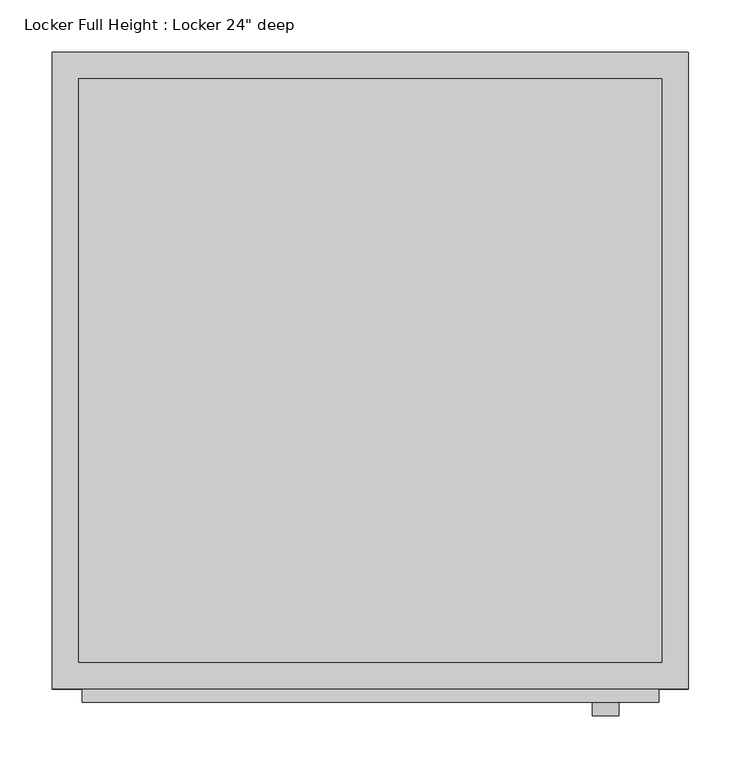
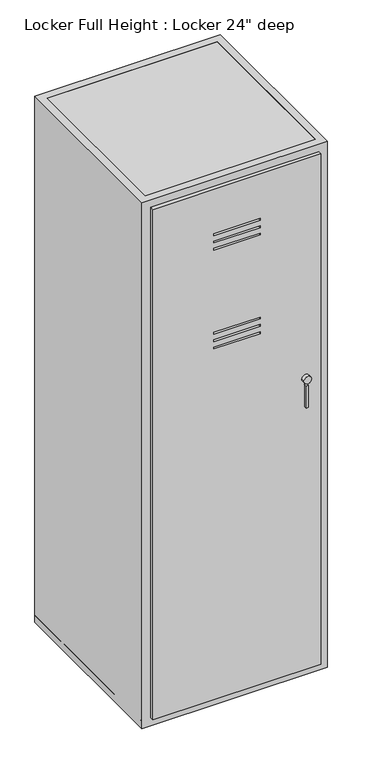
"""IFC4 building model written with IfcOpenShell, lengths in millimetres: proxy geometry."""

from ifc_helpers import new_model, si_unit, point, frame, frame_2d, origin, origin_with_axes, place, context, project, spatial, polyline, circle_curve, trimmed, segment, composite_curve, outline, extrude, faceted_brep, source, transform, mapped, element, save


def proxy_423bad0d(model_context):
    return source(origin(), model_context, "Body", "SolidModel", [
        extrude(outline(polyline([(1802.3478186, 581.025), (1802.3478186, 28.575), (28.575, 28.575), (28.575, 581.025), (1802.3478186, 581.025)]), holes=[polyline([(1647.825, 381.0), (1641.475, 381.0), (1641.475, 228.6), (1647.825, 228.6), (1647.825, 381.0)]), polyline([(1622.425, 381.0), (1616.075, 381.0), (1616.075, 228.6), (1622.425, 228.6), (1622.425, 381.0)]), polyline([(1597.025, 381.0), (1590.675, 381.0), (1590.675, 228.6), (1597.025, 228.6), (1597.025, 381.0)]), polyline([(1254.125, 228.6), (1254.125, 381.0), (1247.775, 381.0), (1247.775, 228.6), (1254.125, 228.6)]), polyline([(1279.525, 228.6), (1279.525, 381.0), (1273.175, 381.0), (1273.175, 228.6), (1279.525, 228.6)]), polyline([(1304.925, 228.6), (1304.925, 381.0), (1298.575, 381.0), (1298.575, 228.6), (1304.925, 228.6)])]), frame((0.0, -12.7, 0.0), z_axis=(0.0, 1.0, 0.0), x_axis=(0.0, 0.0, 1.0)), (0.0, 0.0, 1.0), 12.7),
        faceted_brep([(609.6, 0.0, 1828.6017036), (609.6, 609.6, 1828.6017036), (0.0, 609.6, 1828.6017036), (0.0, 0.0, 1828.6017036), (25.4, 25.4, 1828.6017036), (25.4, 584.2, 1828.6017036), (584.2, 584.2, 1828.6017036), (584.2, 25.4, 1828.6017036), (609.6, 0.0, 0.0), (0.0, 0.0, 0.0), (0.0, 609.6, 0.0), (609.6, 609.6, 0.0), (25.4, 25.4, 0.0), (584.2, 25.4, 0.0), (584.2, 584.2, 0.0), (25.4, 584.2, 0.0), (381.0, 0.0, 1647.825), (381.0, 0.0, 1641.475), (228.6, 0.0, 1641.475), (228.6, 0.0, 1647.825), (381.0, 0.0, 1622.425), (381.0, 0.0, 1616.075), (228.6, 0.0, 1616.075), (228.6, 0.0, 1622.425), (381.0, 0.0, 1597.025), (381.0, 0.0, 1590.675), (228.6, 0.0, 1590.675), (228.6, 0.0, 1597.025), (228.6, 0.0, 1254.125), (381.0, 0.0, 1254.125), (381.0, 0.0, 1247.775), (228.6, 0.0, 1247.775), (228.6, 0.0, 1279.525), (381.0, 0.0, 1279.525), (381.0, 0.0, 1273.175), (228.6, 0.0, 1273.175), (228.6, 0.0, 1304.925), (381.0, 0.0, 1304.925), (381.0, 0.0, 1298.575), (228.6, 0.0, 1298.575), (381.0, 25.4, 1641.475), (381.0, 25.4, 1647.825), (228.6, 25.4, 1647.825), (228.6, 25.4, 1641.475), (381.0, 25.4, 1616.075), (381.0, 25.4, 1622.425), (228.6, 25.4, 1622.425), (228.6, 25.4, 1616.075), (381.0, 25.4, 1590.675), (381.0, 25.4, 1597.025), (228.6, 25.4, 1597.025), (228.6, 25.4, 1590.675), (381.0, 25.4, 1254.125), (228.6, 25.4, 1254.125), (228.6, 25.4, 1247.775), (381.0, 25.4, 1247.775), (381.0, 25.4, 1279.525), (228.6, 25.4, 1279.525), (228.6, 25.4, 1273.175), (381.0, 25.4, 1273.175), (381.0, 25.4, 1304.925), (228.6, 25.4, 1304.925), (228.6, 25.4, 1298.575), (381.0, 25.4, 1298.575)], [[[0, 1, 2, 3], [4, 5, 6, 7]], [[8, 9, 10, 11], [12, 13, 14, 15]], [[1, 0, 8, 11]], [[2, 1, 11, 10]], [[3, 2, 10, 9]], [[0, 3, 9, 8], [16, 17, 18, 19], [20, 21, 22, 23], [24, 25, 26, 27], [28, 29, 30, 31], [32, 33, 34, 35], [36, 37, 38, 39]], [[5, 4, 12, 15]], [[6, 5, 15, 14]], [[7, 6, 14, 13]], [[4, 7, 13, 12], [40, 41, 42, 43], [44, 45, 46, 47], [48, 49, 50, 51], [52, 53, 54, 55], [56, 57, 58, 59], [60, 61, 62, 63]], [[40, 17, 16, 41]], [[41, 16, 19, 42]], [[42, 19, 18, 43]], [[17, 40, 43, 18]], [[44, 21, 20, 45]], [[45, 20, 23, 46]], [[46, 23, 22, 47]], [[21, 44, 47, 22]], [[48, 25, 24, 49]], [[49, 24, 27, 50]], [[50, 27, 26, 51]], [[25, 48, 51, 26]], [[52, 29, 28, 53]], [[53, 28, 31, 54]], [[54, 31, 30, 55]], [[29, 52, 55, 30]], [[56, 33, 32, 57]], [[57, 32, 35, 58]], [[58, 35, 34, 59]], [[33, 56, 59, 34]], [[60, 37, 36, 61]], [[61, 36, 39, 62]], [[62, 39, 38, 63]], [[37, 60, 63, 38]]]),
        extrude(outline(composite_curve([segment(trimmed(circle_curve(frame_2d((1041.4, 530.225)), 12.7), [point((1041.4, 517.525))], [point((1041.4, 542.925))], False, "CARTESIAN"), True, "CONTINUOUS"), segment(trimmed(circle_curve(frame_2d((1041.4, 530.225)), 12.7), [point((1041.4, 542.925))], [point((1041.4, 517.525))], False, "CARTESIAN"), True, "CONTINUOUS")], self_intersect=False)), frame((0.0, -25.4, 0.0), z_axis=(0.0, 1.0, 0.0), x_axis=(0.0, 0.0, 1.0)), (0.0, 0.0, 1.0), 25.4),
        extrude(outline(polyline([(532.5246157, -25.4), (526.1746157, -25.4), (526.1746157, 0.0), (532.5246157, 0.0), (532.5246157, -25.4)])), frame((0.0, 0.0, 945.7880316), z_axis=(0.0, 0.0, 1.0), x_axis=(1.0, 0.0, 0.0)), (0.0, 0.0, 1.0), 76.2),
        extrude(outline(polyline([(609.6, 609.6), (609.6, 0.0), (0.0, 0.0), (0.0, 609.6), (609.6, 609.6)])), frame((0.0, 0.0, 1802.3478186), z_axis=(0.0, 0.0, 1.0), x_axis=(1.0, 0.0, 0.0)), (0.0, 0.0, 1.0), 26.2538849),
        extrude(outline(polyline([(609.6, 0.0), (0.0, 0.0), (0.0, 609.6), (609.6, 609.6), (609.6, 0.0)])), origin_with_axes(), (0.0, 0.0, 1.0), 25.4),
    ])


if __name__ == "__main__":
    model = new_model("IFC4")
    model_context = context("Model", 3, world=origin())
    ifc_project = project(units=[si_unit("LENGTHUNIT", "METRE", prefix="MILLI")], contexts=[model_context])
    site = spatial("IfcSite", under=ifc_project)
    building = spatial("IfcBuilding", under=site)
    placement = place(None, origin())
    proxy_shape = proxy_423bad0d(model_context)
    element("IfcBuildingElementProxy", 1, Name="Locker Full Height : Locker 24\" deep", ObjectType="Locker Full Height : Locker 24\" deep", at=placement, inside=building, context=model_context, shape_type="MappedRepresentation", body=[
        mapped(proxy_shape, transform((0.0, 0.0, 0.0), x_axis=(1.0, 0.0, 0.0), y_axis=(0.0, 1.0, 0.0), z_axis=(0.0, 0.0, 1.0))),
    ])
    save(model, "model.ifc")
